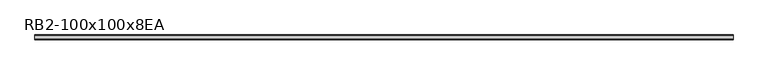
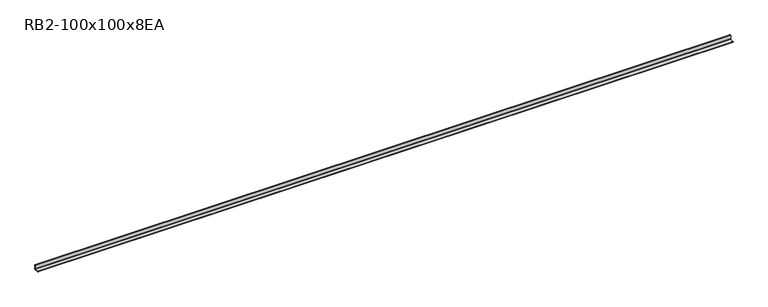
"""IFC4 building model written with IfcOpenShell, lengths in millimetres: member geometry, RB2-100x100x8EA."""

from ifc_helpers import new_model, si_unit, point, frame, frame_2d, origin, place, context, project, spatial, polyline, circle_curve, trimmed, segment, composite_curve, outline, extrude, source, transform, mapped, element, save


def rb2_100x100x8ea_a80ea44f(model_context):
    return source(origin(), model_context, "Body", "SweptSolid", [
        extrude(outline(composite_curve([segment(polyline([(27.5, -27.5), (-72.5, -27.5), (-72.5, -24.5)]), True, "CONTINUOUS"), segment(trimmed(circle_curve(frame_2d((-67.5, -24.5)), 5.0), [point((-72.5, -24.5))], [point((-67.5, -19.5))], False, "CARTESIAN"), True, "CONTINUOUS"), segment(polyline([(-67.5, -19.5), (11.5, -19.5)]), True, "CONTINUOUS"), segment(trimmed(circle_curve(frame_2d((11.5, -11.5)), 8.0), [point((11.5, -19.5))], [point((19.5, -11.5))], True, "CARTESIAN"), True, "CONTINUOUS"), segment(polyline([(19.5, -11.5), (19.5, 67.5)]), True, "CONTINUOUS"), segment(trimmed(circle_curve(frame_2d((24.5, 67.5)), 5.0), [point((19.5, 67.5))], [point((24.5, 72.5))], False, "CARTESIAN"), True, "CONTINUOUS"), segment(polyline([(24.5, 72.5), (27.5, 72.5), (27.5, -27.5)]), True, "CONTINUOUS")], self_intersect=False)), frame((-7326.2927911, 0.0, 0.0), z_axis=(1.0, 0.0, 0.0), x_axis=(0.0, 1.0, 0.0)), (0.0, 0.0, 1.0), 14642.2927911),
    ])


if __name__ == "__main__":
    model = new_model("IFC4")
    model_context = context("Model", 3, world=origin())
    ifc_project = project(units=[si_unit("LENGTHUNIT", "METRE", prefix="MILLI")], contexts=[model_context])
    site = spatial("IfcSite", under=ifc_project)
    building = spatial("IfcBuilding", under=site)
    placement = place(None, origin())
    rb2_100x100x8ea_shape = rb2_100x100x8ea_a80ea44f(model_context)
    element("IfcMember", 1, ObjectType="RB2-100x100x8EA", at=placement, inside=building, context=model_context, shape_type="MappedRepresentation", body=[
        mapped(rb2_100x100x8ea_shape, transform((0.0, 0.0, 0.0), x_axis=(1.0, 0.0, 0.0), y_axis=(0.0, 1.0, 0.0), z_axis=(0.0, 0.0, 1.0))),
    ])
    save(model, "model.ifc")
